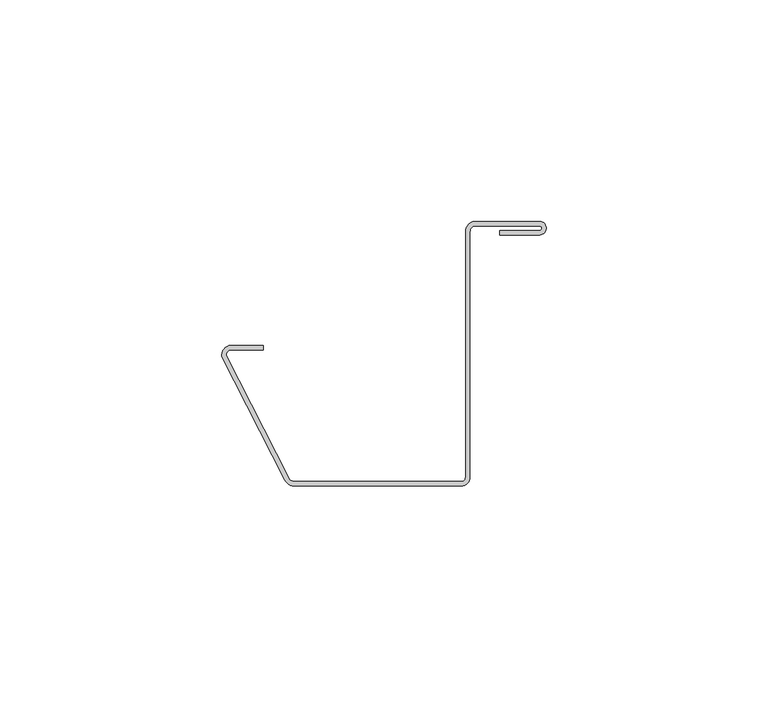
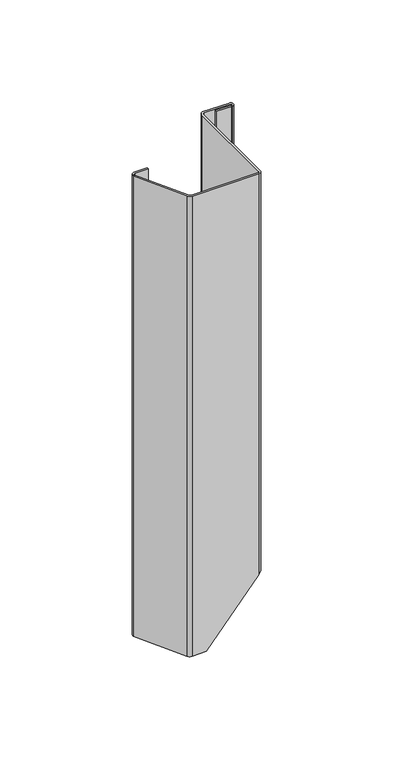
"""IFC4 building model written with IfcOpenShell, lengths in millimetres: proxy geometry."""

from ifc_helpers import new_model, si_unit, frame, origin, place, context, project, spatial, polyline, circle_curve, ellipse_curve, source, transform, mapped, element, save
from ifc_brep_helpers import plane_surface, cylinder_surface, revolved_surface, advanced_brep


def generic_models_ef134d59(model_context):
    return source(origin(), model_context, "Body", "AdvancedBrep", [
        advanced_brep(
        [(1.7825952, -6.6322787, 0.0), (-5.9337834, -6.6322787, 0.0), (-7.5442304, -9.1023058, 0.0), (6.6420001, -36.9812968, 0.0), (8.827834, -38.3471574, 0.0), (46.4881186, -38.3471574, 0.0), (48.450293, -36.384983, 0.0), (48.450293, 19.0, 0.0), (49.2721973, 20.3379784, 0.0), (64.1617276, 20.3379784, 0.0), (64.1617276, 19.3379784, 0.0), (55.1617276, 19.3379784, 0.0), (55.1617276, 18.3379784, 0.0), (64.1617276, 18.3379784, 0.0), (64.1617276, 21.3379784, 0.0), (49.064936, 21.3379784, 0.0), (47.450293, 19.0, 0.0), (47.450293, -36.384983, 0.0), (46.4881186, -37.3471574, 0.0), (8.8373672, -37.3471574, 0.0), (7.5332499, -36.5277842, 0.0), (-6.5453186, -8.8603719, 0.0), (-5.7294176, -7.6322787, 0.0), (1.7825952, -7.6322787, 0.0), (1.7825952, -6.6322787, -275.0), (1.7825952, -7.6322787, -275.0), (-5.7294176, -7.6322787, -275.0), (-6.5453186, -8.8603719, -275.0), (7.5332499, -36.5277842, -275.0), (8.8373672, -37.3471574, -275.0), (16.9612557, -37.3471574, -275.0), (16.9612557, -38.3471574, -275.0), (8.827834, -38.3471574, -275.0), (6.6420001, -36.9812968, -275.0), (-7.5442304, -9.1023058, -275.0), (-5.9337834, -6.6322787, -275.0), (16.9612557, -38.3471574, -274.7870807), (46.4881186, -38.3471574, -239.5983357), (48.450293, -36.384983, -237.2599073), (48.450293, 19.0, -237.2599073), (49.2721973, 20.3379784, -236.2803999), (49.2721973, 20.3379784, -209.5965429), (64.1617276, 20.3379784, -209.5965429), (64.1617276, 19.3379784, -209.5965429), (55.1617276, 19.3379784, -209.5965429), (55.1617276, 18.3379784, -209.5965429), (64.1617276, 18.3379784, -209.5965429), (64.1617276, 21.3379784, -209.5965429), (49.2721973, 21.3379784, -209.5965429), (49.2721973, 21.3379784, -236.2803999), (49.064936, 21.3379784, -236.5274043), (47.450293, 19.0, -238.4516609), (47.450293, -36.384983, -238.4516609), (46.4881186, -37.3471574, -239.5983357), (16.9612557, -37.3471574, -274.7870807)],
        [
            (0, 1),
            (1, 2, circle_curve(frame((-5.067481, -8.9571199, 0.0), z_axis=(0.0, 0.0, 1.0), x_axis=(1.0, 0.0, 0.0)), 2.4810011)),
            (2, 3),
            (3, 4, circle_curve(frame((8.8701246, -35.8475152, 0.0), z_axis=(0.0, 0.0, 1.0), x_axis=(1.0, 0.0, 0.0)), 2.5)),
            (4, 5),
            (5, 6, circle_curve(frame((46.4881186, -36.384983, 0.0), z_axis=(0.0, 0.0, 1.0), x_axis=(1.0, 0.0, 0.0)), 1.9621744)),
            (6, 7),
            (7, 8, circle_curve(frame((49.950293, 19.0, 0.0), z_axis=(0.0, 0.0, -1.0), x_axis=(1.0, 0.0, 0.0)), 1.5)),
            (8, 9),
            (9, 10, circle_curve(frame((64.1617276, 19.8379784, 0.0), z_axis=(0.0, 0.0, -1.0), x_axis=(1.0, 0.0, 0.0)), 0.5)),
            (10, 11),
            (11, 12),
            (12, 13),
            (13, 14, circle_curve(frame((64.1617276, 19.8379784, 0.0), z_axis=(0.0, 0.0, 1.0), x_axis=(1.0, 0.0, 0.0)), 1.5)),
            (14, 15),
            (15, 16, circle_curve(frame((49.950293, 19.0, 0.0), z_axis=(0.0, 0.0, 1.0), x_axis=(1.0, 0.0, 0.0)), 2.5)),
            (16, 17),
            (17, 18, circle_curve(frame((46.4881186, -36.384983, 0.0), z_axis=(0.0, 0.0, -1.0), x_axis=(1.0, 0.0, 0.0)), 0.9621744)),
            (18, 19),
            (19, 20, circle_curve(frame((8.8701246, -35.8475152, 0.0), z_axis=(0.0, 0.0, -1.0), x_axis=(1.0, 0.0, 0.0)), 1.5)),
            (20, 21),
            (21, 22, circle_curve(frame((-5.067481, -8.9571199, 0.0), z_axis=(0.0, 0.0, -1.0), x_axis=(1.0, 0.0, 0.0)), 1.4810011)),
            (22, 23),
            (23, 0),
            (24, 25),
            (25, 26),
            (26, 27, circle_curve(frame((-5.067481, -8.9571199, -275.0), z_axis=(0.0, 0.0, 1.0), x_axis=(1.0, 0.0, 0.0)), 1.4810011)),
            (27, 28),
            (28, 29, circle_curve(frame((8.8701246, -35.8475152, -275.0), z_axis=(0.0, 0.0, 1.0), x_axis=(1.0, 0.0, 0.0)), 1.5)),
            (29, 30),
            (30, 31),
            (31, 32),
            (32, 33, circle_curve(frame((8.8701246, -35.8475152, -275.0), z_axis=(0.0, 0.0, -1.0), x_axis=(1.0, 0.0, 0.0)), 2.5)),
            (33, 34),
            (34, 35, circle_curve(frame((-5.067481, -8.9571199, -275.0), z_axis=(0.0, 0.0, -1.0), x_axis=(1.0, 0.0, 0.0)), 2.4810011)),
            (35, 24),
            (0, 24),
            (35, 1),
            (34, 2),
            (33, 3),
            (32, 4),
            (31, 36),
            (36, 37),
            (37, 5),
            (37, 38, ellipse_curve(frame((46.4881186, -36.384983, -239.5983357), z_axis=(-0.7660444431189777, 0.0, 0.6427876096865399), x_axis=(0.64278760968654, 0.0, 0.7660444431189775)), 3.0526015, 1.9621744)),
            (38, 6),
            (38, 39),
            (39, 7),
            (39, 40, ellipse_curve(frame((49.950293, 19.0, -235.4722769), z_axis=(0.7660444431189777, 0.0, -0.6427876096865399), x_axis=(-0.64278760968654, 0.0, -0.7660444431189775)), 2.3335857, 1.5)),
            (40, 41),
            (41, 8),
            (41, 42),
            (42, 9),
            (42, 43, circle_curve(frame((64.1617276, 19.8379784, -209.5965429), z_axis=(0.0, 0.0, -1.0), x_axis=(1.0, 0.0, 0.0)), 0.5)),
            (43, 10),
            (43, 44),
            (44, 11),
            (44, 45),
            (45, 12),
            (45, 46),
            (46, 13),
            (46, 47, circle_curve(frame((64.1617276, 19.8379784, -209.5965429), z_axis=(0.0, 0.0, 1.0), x_axis=(1.0, 0.0, 0.0)), 1.5)),
            (47, 14),
            (47, 48),
            (48, 49),
            (49, 50),
            (50, 15),
            (50, 51, ellipse_curve(frame((49.950293, 19.0, -235.4722769), z_axis=(-0.7660444431189777, 0.0, 0.6427876096865399), x_axis=(0.64278760968654, 0.0, 0.7660444431189775)), 3.8893096, 2.5)),
            (51, 16),
            (51, 52),
            (52, 17),
            (52, 53, ellipse_curve(frame((46.4881186, -36.384983, -239.5983357), z_axis=(0.7660444431189777, 0.0, -0.6427876096865399), x_axis=(-0.64278760968654, 0.0, -0.7660444431189775)), 1.4968776, 0.9621744)),
            (53, 18),
            (53, 54),
            (54, 30),
            (29, 19),
            (28, 20),
            (27, 21),
            (26, 22),
            (25, 23),
            (49, 40),
            (36, 54),
            (41, 48),
        ],
        [
            plane_surface(frame((1.7825952, -6.6322787, 0.0), z_axis=(0.0, 0.0, 1.0), x_axis=(-1.0, 0.0, 0.0))),
            plane_surface(frame((1.7825952, -6.6322787, -275.0), z_axis=(0.0, 0.0, -1.0), x_axis=(1.0, 0.0, 0.0))),
            plane_surface(frame((1.7825952, -6.6322787, 0.0), z_axis=(0.0, 1.0, 0.0), x_axis=(0.0, 0.0, -1.0))),
            cylinder_surface(frame((-5.067481, -8.9571199, -275.0), z_axis=(0.0, 0.0, 1.0), x_axis=(1.0, 0.0, 0.0)), 2.4810011),
            plane_surface(frame((-7.5442304, -9.1023058, 0.0), z_axis=(-0.8912498322497704, -0.4535126641172838, 0.0), x_axis=(0.0, 0.0, -1.0))),
            cylinder_surface(frame((8.8701246, -35.8475152, -275.0), z_axis=(0.0, 0.0, 1.0), x_axis=(1.0, 0.0, 0.0)), 2.5),
            plane_surface(frame((8.827834, -38.3471574, 0.0), z_axis=(0.0, -1.0, 0.0), x_axis=(0.0, 0.0, -1.0))),
            cylinder_surface(frame((46.4881186, -36.384983, -275.0), z_axis=(0.0, 0.0, 1.0), x_axis=(1.0, 0.0, 0.0)), 1.9621744),
            plane_surface(frame((48.450293, -36.384983, 0.0), z_axis=(1.0, 0.0, 0.0), x_axis=(0.0, 0.0, -1.0))),
            revolved_surface(polyline([(51.450293, 19.0, -237.2599073), (51.450293, 19.0, 0.0)]), (49.950293, 19.0, -275.0), (0.0, 0.0, -1.0)),
            plane_surface(frame((49.2721973, 20.3379784, 0.0), z_axis=(0.0, -1.0, 0.0), x_axis=(0.0, 0.0, -1.0))),
            revolved_surface(polyline([(64.6617276, 19.8379784, -209.5965429), (64.6617276, 19.8379784, 0.0)]), (64.1617276, 19.8379784, -275.0), (0.0, 0.0, -1.0)),
            plane_surface(frame((64.1617276, 19.3379784, 0.0), z_axis=(0.0, 1.0, 0.0), x_axis=(0.0, 0.0, -1.0))),
            plane_surface(frame((55.1617276, 19.3379784, 0.0), z_axis=(-1.0, 0.0, 0.0), x_axis=(0.0, 0.0, -1.0))),
            plane_surface(frame((55.1617276, 18.3379784, 0.0), z_axis=(0.0, -1.0, 0.0), x_axis=(0.0, 0.0, -1.0))),
            cylinder_surface(frame((64.1617276, 19.8379784, -275.0), z_axis=(0.0, 0.0, 1.0), x_axis=(1.0, 0.0, 0.0)), 1.5),
            plane_surface(frame((64.1617276, 21.3379784, 0.0), z_axis=(0.0, 1.0, 0.0), x_axis=(0.0, 0.0, -1.0))),
            cylinder_surface(frame((49.950293, 19.0, -275.0), z_axis=(0.0, 0.0, 1.0), x_axis=(1.0, 0.0, 0.0)), 2.5),
            plane_surface(frame((47.450293, 19.0, 0.0), z_axis=(-1.0, 0.0, 0.0), x_axis=(0.0, 0.0, -1.0))),
            revolved_surface(polyline([(47.450293, -36.384983, -240.74501046750927), (47.450293, -36.384983, 0.0)]), (46.4881186, -36.384983, -275.0), (0.0, 0.0, -1.0)),
            plane_surface(frame((46.4881186, -37.3471574, 0.0), z_axis=(0.0, 1.0, 0.0), x_axis=(0.0, 0.0, -1.0))),
            revolved_surface(polyline([(10.3701246, -35.8475152, -275.0), (10.3701246, -35.8475152, 0.0)]), (8.8701246, -35.8475152, -275.0), (0.0, 0.0, -1.0)),
            plane_surface(frame((7.5332499, -36.5277842, 0.0), z_axis=(0.8912498322497703, 0.4535126641172839, 0.0), x_axis=(0.0, 0.0, -1.0))),
            revolved_surface(polyline([(-3.5864798999999996, -8.9571199, -275.0), (-3.5864798999999996, -8.9571199, 0.0)]), (-5.067481, -8.9571199, -275.0), (0.0, 0.0, -1.0)),
            plane_surface(frame((-5.7294176, -7.6322787, 0.0), z_axis=(0.0, -1.0, 0.0), x_axis=(0.0, 0.0, -1.0))),
            plane_surface(frame((1.7825952, -7.6322787, 0.0), z_axis=(1.0, 0.0, 0.0), x_axis=(0.0, 0.0, -1.0))),
            plane_surface(frame((49.2721973, -45.5204798, -236.2803999), z_axis=(0.7660444431189777, 0.0, -0.6427876096865399), x_axis=(0.0, 1.0, 0.0))),
            plane_surface(frame((16.9612557, -45.5204798, -274.7870807), z_axis=(1.0, 0.0, 0.0), x_axis=(0.0, 1.0, 0.0))),
            plane_surface(frame((70.1046822, -45.5204798, -209.5965429), z_axis=(0.0, 0.0, -1.0), x_axis=(0.0, 1.0, 0.0))),
            plane_surface(frame((49.2721973, -45.5204798, -209.5965429), z_axis=(1.0, 0.0, 0.0), x_axis=(0.0, 1.0, 0.0))),
        ],
        [
            (0, [[1, 2, 3, 4, 5, 6, 7, 8, 9, 10, 11, 12, 13, 14, 15, 16, 17, 18, 19, 20, 21, 22, 23, 24]]),
            (1, [[25, 26, 27, 28, 29, 30, 31, 32, 33, 34, 35, 36]]),
            (2, [[-1, 37, -36, 38]]),
            (3, [[-2, -38, -35, 39]]),
            (4, [[-3, -39, -34, 40]]),
            (5, [[-4, -40, -33, 41]]),
            (6, [[-5, -41, -32, 42, 43, 44]]),
            (7, [[-6, -44, 45, 46]]),
            (8, [[-7, -46, 47, 48]]),
            (9, [[-8, -48, 49, 50, 51]]),
            (10, [[-9, -51, 52, 53]]),
            (11, [[-10, -53, 54, 55]]),
            (12, [[-11, -55, 56, 57]]),
            (13, [[-12, -57, 58, 59]]),
            (14, [[-13, -59, 60, 61]]),
            (15, [[-14, -61, 62, 63]]),
            (16, [[-15, -63, 64, 65, 66, 67]]),
            (17, [[-16, -67, 68, 69]]),
            (18, [[-17, -69, 70, 71]]),
            (19, [[-18, -71, 72, 73]]),
            (20, [[-19, -73, 74, 75, -30, 76]]),
            (21, [[-20, -76, -29, 77]]),
            (22, [[-21, -77, -28, 78]]),
            (23, [[-22, -78, -27, 79]]),
            (24, [[-23, -79, -26, 80]]),
            (25, [[-24, -80, -25, -37]]),
            (26, [[81, -49, -47, -45, -43, 82, -74, -72, -70, -68, -66]]),
            (27, [[-82, -42, -31, -75]]),
            (28, [[83, -64, -62, -60, -58, -56, -54, -52]]),
            (29, [[-81, -65, -83, -50]]),
        ],
    ),
    ])


if __name__ == "__main__":
    model = new_model("IFC4")
    model_context = context("Model", 3, world=origin())
    ifc_project = project(units=[si_unit("LENGTHUNIT", "METRE", prefix="MILLI")], contexts=[model_context])
    site = spatial("IfcSite", under=ifc_project)
    building = spatial("IfcBuilding", under=site)
    placement = place(None, origin())
    generic_models_shape = generic_models_ef134d59(model_context)
    element("IfcBuildingElementProxy", 1, Name="Generic Models", at=placement, inside=building, context=model_context, shape_type="MappedRepresentation", body=[
        mapped(generic_models_shape, transform((0.0, 0.0, 0.0), x_axis=(1.0, 0.0, 0.0), y_axis=(0.0, 1.0, 0.0), z_axis=(0.0, 0.0, 1.0))),
    ])
    save(model, "model.ifc")
